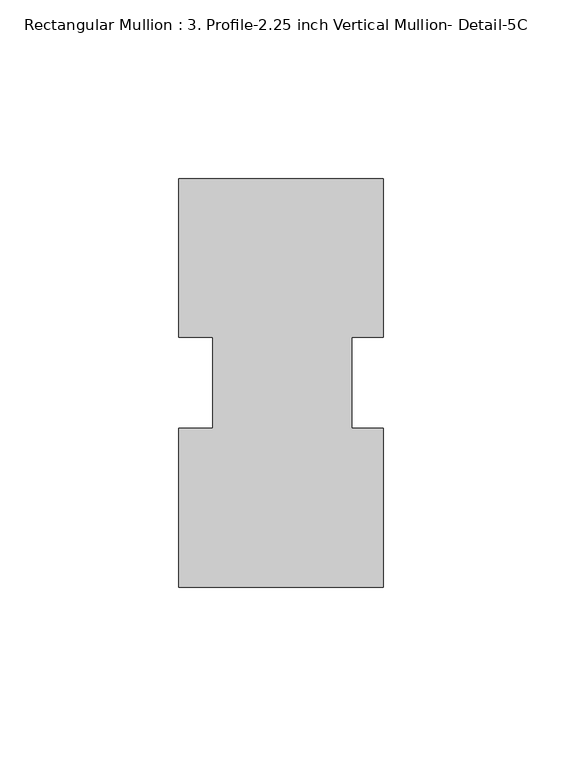
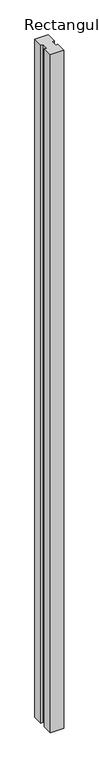
"""IFC4 building model written with IfcOpenShell, lengths in millimetres: member geometry, Rectangular Mullion : 3. Profile-2.25 inch Vertical Mullion- Detail-5C."""

from ifc_helpers import new_model, si_unit, frame, origin, place, context, project, spatial, polyline, outline, extrude, source, transform, mapped, element, save


def rectangular_mullion_3_profile_2_25_inch_vertical_mullion_a05e9c60(model_context):
    return source(origin(), model_context, "Body", "SweptSolid", [
        extrude(outline(polyline([(28.575, 25.3007495), (28.575, -19.0554279), (19.84375, -19.0554279), (19.84375, -44.5431262), (28.575, -44.5431262), (28.575, -88.9992505), (-28.575, -88.9991362), (-28.575, -44.5431262), (-19.05, -44.5431262), (-19.05, -19.0554279), (-28.575, -19.0554279), (-28.575, 25.3008638), (28.575, 25.3007495)])), frame((0.0, 0.0, -3048.0), z_axis=(0.0, 0.0, 1.0), x_axis=(1.0, 0.0, 0.0)), (0.0, 0.0, 1.0), 3048.0),
    ])


if __name__ == "__main__":
    model = new_model("IFC4")
    model_context = context("Model", 3, world=origin())
    ifc_project = project(units=[si_unit("LENGTHUNIT", "METRE", prefix="MILLI")], contexts=[model_context])
    site = spatial("IfcSite", under=ifc_project)
    building = spatial("IfcBuilding", under=site)
    placement = place(None, origin())
    rectangular_mullion_3_profile_2_25_inch_vertical_mullion_shape = rectangular_mullion_3_profile_2_25_inch_vertical_mullion_a05e9c60(model_context)
    element("IfcMember", 1, ObjectType="Rectangular Mullion : 3. Profile-2.25 inch Vertical Mullion- Detail-5C", at=placement, inside=building, context=model_context, shape_type="MappedRepresentation", body=[
        mapped(rectangular_mullion_3_profile_2_25_inch_vertical_mullion_shape, transform((0.0, 0.0, 0.0), x_axis=(1.0, 0.0, 0.0), y_axis=(0.0, 1.0, 0.0), z_axis=(0.0, 0.0, 1.0))),
    ])
    save(model, "model.ifc")
